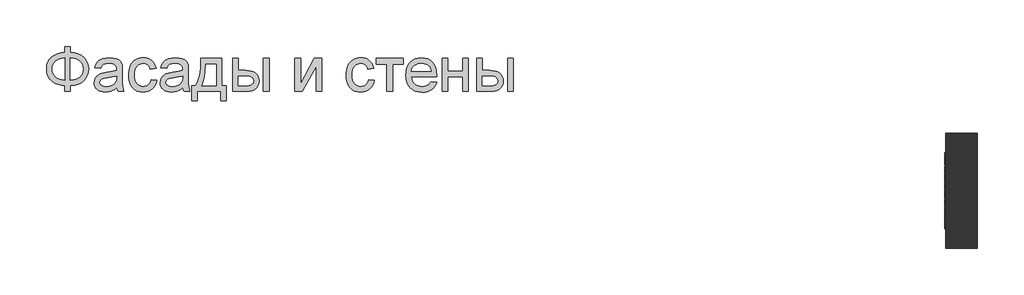
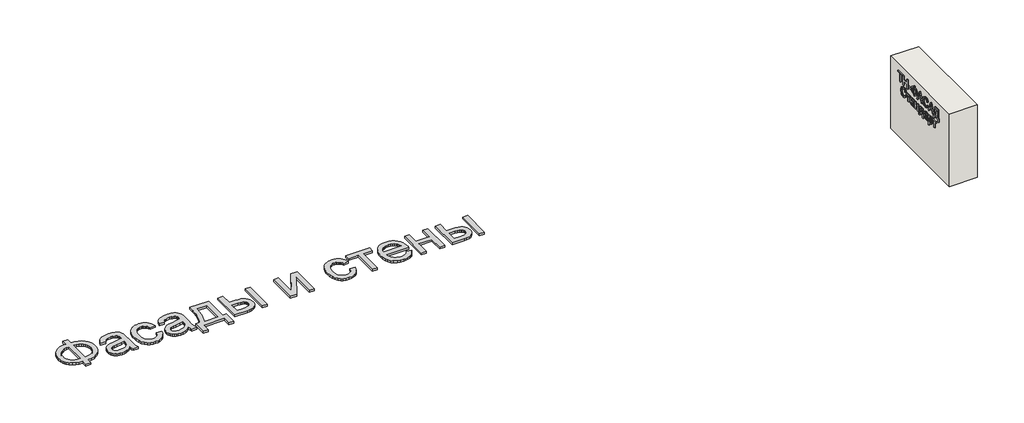
# One storey: 2 proxies, 1 wall.
"""IFC4 building model written with IfcOpenShell, lengths in millimetres."""

from ifc_helpers import new_model, si_unit, frame, origin, origin_with_axes, place, context, project, spatial, polyline, outline, extrude, element, save

model = new_model("IFC4")

# Units and contexts
model_context = context("Model", 3, world=origin())
ifc_project = project(units=[si_unit("LENGTHUNIT", "METRE", prefix="MILLI")], contexts=[model_context])

# Site, building, storey
site = spatial("IfcSite", under=ifc_project)
building = spatial("IfcBuilding", under=site)
storey = spatial("IfcBuildingStorey", under=building, Elevation=0.0)

# Proxies
placement = place(None, origin())
element("IfcBuildingElementProxy", 1, Name="Generic Models", at=placement, inside=storey, context=model_context, shape_type="SweptSolid", body=[
    extrude(outline(polyline([(-1939.8736325, -20885.7211043), (-1939.8736325, -20787.7817103), (-1841.9342386, -20787.7817103), (-1841.9342386, -20885.7211043), (-1772.0723186, -20894.3529698), (-1709.9695132, -20912.2144755), (-1655.6258224, -20939.3056213), (-1609.0412461, -20975.6264073), (-1571.6743546, -21019.0607113), (-1544.9837177, -21067.4924111), (-1528.9693356, -21120.9215067), (-1523.6312083, -21179.3479982), (-1528.8019587, -21236.6028514), (-1544.3142102, -21289.3863505), (-1570.1679625, -21337.6984954), (-1606.3632158, -21381.5392861), (-1628.1416397, -21401.1761824), (-1652.1109076, -21418.4817577), (-1706.6219753, -21446.0989452), (-1769.896419, -21464.3908486), (-1841.9342386, -21473.3574679), (-1841.9342386, -21571.2968619), (-1939.8736325, -21571.2968619), (-1939.8736325, -21473.3574679), (-2005.3060425, -21466.0586398), (-2065.0237272, -21449.518216), (-2119.0266865, -21423.7361966), (-2167.3149204, -21388.7125816), (-2207.0669327, -21345.8939854), (-2222.6837947, -21322.10405), (-2235.4612272, -21296.7270228), (-2245.3992303, -21269.7629041), (-2252.4978039, -21241.2116938), (-2258.1766628, -21179.3479982), (-2252.5157371, -21117.2033486), (-2245.4395801, -21088.5878775), (-2235.5329602, -21061.6103088), (-2222.7958774, -21036.2706426), (-2207.2283318, -21012.5688789), (-2188.8303234, -20990.5050176), (-2167.6018522, -20970.0790588), (-2119.4032845, -20935.3961753), (-2065.382392, -20909.775555), (-2005.5391746, -20893.217198), (-1939.8736325, -20885.7211043)]), holes=[polyline([(-1841.9342386, -20983.6604982), (-1841.9342386, -21375.418074), (-1793.3949393, -21370.2234125), (-1750.3073446, -21359.2303372), (-1712.6714545, -21342.4388481), (-1680.4872689, -21319.8489452), (-1654.7112272, -21291.9627591), (-1636.2997689, -21259.2824206), (-1625.2528939, -21221.8079296), (-1621.5706022, -21179.5392861), (-1625.1871387, -21137.922217), (-1636.036748, -21100.872146), (-1654.1194303, -21068.389073), (-1679.4351855, -21040.4729982), (-1711.2905951, -21017.6977852), (-1748.9922405, -21000.6372975), (-1792.5401216, -20989.2915352), (-1841.9342386, -20983.6604982)]), polyline([(-1939.8736325, -20983.6604982), (-1986.781007, -20988.5861611), (-2028.989873, -20999.3461043), (-2066.5002305, -21015.9403278), (-2099.3120795, -21038.3688316), (-2125.9668498, -21066.2012179), (-2145.0059715, -21099.0070891), (-2156.4294445, -21136.7864452), (-2160.2372689, -21179.5392861), (-2156.4772665, -21221.9035735), (-2145.1972594, -21259.4737085), (-2126.3972476, -21292.2496909), (-2100.077231, -21320.231521), (-2067.5044919, -21342.8692459), (-2029.9463124, -21359.612913), (-1987.4026926, -21370.4625224), (-1939.8736325, -21375.418074), (-1939.8736325, -20983.6604982)])]), origin_with_axes(), (0.0, 0.0, 1.0), 40.0),
    extrude(outline(polyline([(-1033.9342386, -21497.8423164), (-1080.7280359, -21537.964949), (-1104.6449985, -21552.8256261), (-1128.9086704, -21564.2192103), (-1179.5760473, -21578.7092672), (-1233.8300719, -21583.5392861), (-1277.4377305, -21580.6341014), (-1315.677373, -21571.9185475), (-1348.5489995, -21557.3926242), (-1376.0526098, -21537.0563316), (-1397.7697618, -21512.2008628), (-1413.2820132, -21484.1174111), (-1422.589364, -21452.8059764), (-1425.6918143, -21418.2665588), (-1421.0052613, -21377.6657066), (-1406.9456022, -21340.7949679), (-1385.2583389, -21309.2324679), (-1357.6889734, -21284.5563316), (-1325.2895889, -21265.9057634), (-1289.1122689, -21252.4199679), (-1204.3717386, -21237.6908013), (-1104.232534, -21222.1964831), (-1034.5081022, -21204.0241346), (-1033.9342386, -21182.2173164), (-1035.619963, -21158.4737085), (-1040.6771363, -21138.5080361), (-1049.1057585, -21122.3202994), (-1060.9058295, -21109.9104982), (-1081.3018996, -21097.5246081), (-1106.1454128, -21088.6775437), (-1135.4363693, -21083.369305), (-1169.1747689, -21081.5998922), (-1227.5175719, -21086.3103562), (-1250.0895416, -21092.1984362), (-1268.2618901, -21100.4417482), (-1283.1943001, -21111.6858888), (-1296.0464545, -21126.5764547), (-1306.8183532, -21145.1134457), (-1315.5099961, -21167.2968619), (-1413.4493901, -21155.0544376), (-1396.4486799, -21101.4938316), (-1384.810008, -21079.0175058), (-1371.0791249, -21059.4104982), (-1354.6642338, -21042.2782776), (-1334.9735378, -21027.2263126), (-1312.0070369, -21014.2546033), (-1285.764731, -21003.3631497), (-1225.5807821, -20988.5861611), (-1156.5497689, -20983.6604982), (-1090.3402518, -20988.0122975), (-1037.8556401, -21001.0676952), (-998.2829602, -21020.6986138), (-970.8092386, -21044.7769755), (-952.5890681, -21074.5461516), (-940.7770416, -21111.2495134), (-937.1903939, -21145.1074679), (-935.9948446, -21196.9464831), (-935.9948446, -21318.7968619), (-934.7514734, -21424.9377236), (-931.0213598, -21488.94743), (-923.6567764, -21531.0068524), (-911.5099961, -21571.2968619), (-1009.4493901, -21571.2968619), (-1025.1349961, -21537.2476194), (-1033.9342386, -21497.8423164)]), holes=[polyline([(-1033.9342386, -21301.9635285), (-1099.7372689, -21318.2708202), (-1191.9380264, -21331.9957255), (-1242.7488693, -21339.5037747), (-1276.2003371, -21347.8726194), (-1298.1267102, -21358.7282066), (-1314.3622689, -21373.6964831), (-1324.4048825, -21391.6297217), (-1327.7524204, -21411.3801952), (-1325.9292078, -21426.599537), (-1320.45957, -21440.5037747), (-1311.343507, -21453.0929083), (-1298.5810189, -21464.3669376), (-1282.2916604, -21473.6563552), (-1262.5949867, -21480.2916535), (-1212.9796931, -21485.5998922), (-1160.3755264, -21479.7417009), (-1136.3688977, -21472.4189618), (-1113.8925719, -21462.167127), (-1076.2088598, -21436.2715304), (-1050.0024204, -21405.450271), (-1038.3816818, -21373.6964831), (-1034.5081022, -21329.700271), (-1033.9342386, -21301.9635285)])]), origin_with_axes(), (0.0, 0.0, 1.0), 40.0),
    extrude(outline(polyline([(-434.0554507, -21363.1756497), (-336.1160568, -21375.418074), (-346.7684005, -21421.6320299), (-363.4224014, -21462.5257918), (-386.0780596, -21498.0993595), (-414.7353749, -21528.3527331), (-448.1868427, -21552.49685), (-485.2249583, -21569.7426478), (-525.8497215, -21580.0901265), (-570.0611325, -21583.5392861), (-624.9906425, -21578.7272004), (-674.2412935, -21564.2909433), (-717.8130856, -21540.2305148), (-755.7060189, -21506.5459149), (-786.3778347, -21463.8707847), (-808.2862746, -21412.8387653), (-821.4313385, -21353.4498567), (-825.8130264, -21285.7040588), (-823.9419919, -21240.6736966), (-818.3288882, -21198.5485191), (-808.9737154, -21159.3285262), (-795.8764734, -21123.0137179), (-778.9474961, -21090.3333794), (-758.0971174, -21062.0167956), (-733.3253371, -21038.0639665), (-704.6321552, -21018.4748922), (-673.3147428, -21003.2435948), (-640.6702708, -20992.3640967), (-606.698739, -20985.8363978), (-571.4001477, -20983.6604982), (-527.9479104, -20986.6493713), (-488.6442291, -20995.6159906), (-453.4891036, -21010.5603562), (-422.482534, -21031.4824679), (-396.150562, -21057.9041062), (-375.0192291, -21089.3470513), (-359.0885354, -21125.8113031), (-348.358481, -21167.2968619), (-446.2978749, -21179.5392861), (-453.9434123, -21156.6624513), (-464.0637367, -21136.8103562), (-476.6588479, -21119.9830006), (-491.7287461, -21106.1803846), (-508.8908555, -21095.4264192), (-527.7626003, -21087.7450153), (-548.3439805, -21083.1361729), (-570.6349961, -21081.5998922), (-603.9131093, -21084.6246317), (-633.927373, -21093.6988505), (-660.6777873, -21108.8225484), (-684.1643522, -21129.9957255), (-703.2871623, -21157.7085569), (-716.9463124, -21192.4512179), (-725.1418025, -21234.2237085), (-727.8736325, -21283.0260285), (-725.20158, -21332.5636114), (-717.1854223, -21374.8202994), (-703.8251595, -21409.7960924), (-685.1207916, -21437.4909906), (-662.1004909, -21458.5386351), (-635.7924299, -21473.5726668), (-606.1966084, -21482.5930858), (-573.3130264, -21485.5998922), (-546.8136775, -21483.7228799), (-522.5978276, -21478.0918429), (-500.6654767, -21468.7067814), (-481.0166249, -21455.5676952), (-464.2012248, -21438.5311185), (-450.7692291, -21417.4535853), (-440.7206377, -21392.3350958), (-434.0554507, -21363.1756497)])), origin_with_axes(), (0.0, 0.0, 1.0), 40.0),
    extrude(outline(polyline([(116.8536402, -21497.8423164), (70.0598429, -21537.964949), (46.1428803, -21552.8256261), (21.8792084, -21564.2192103), (-28.7881685, -21578.7092672), (-83.0421931, -21583.5392861), (-126.6498517, -21580.6341014), (-164.8894943, -21571.9185475), (-197.7611207, -21557.3926242), (-225.264731, -21537.0563316), (-246.981883, -21512.2008628), (-262.4941344, -21484.1174111), (-271.8014853, -21452.8059764), (-274.9039355, -21418.2665588), (-270.2173825, -21377.6657066), (-256.1577234, -21340.7949679), (-234.4704602, -21309.2324679), (-206.9010946, -21284.5563316), (-174.5017102, -21265.9057634), (-138.3243901, -21252.4199679), (-53.5838598, -21237.6908013), (46.5553448, -21222.1964831), (116.2797766, -21204.0241346), (116.8536402, -21182.2173164), (115.1679158, -21158.4737085), (110.1107425, -21138.5080361), (101.6821203, -21122.3202994), (89.8820493, -21109.9104982), (69.4859792, -21097.5246081), (44.642466, -21088.6775437), (15.3515095, -21083.369305), (-18.3868901, -21081.5998922), (-76.7296931, -21086.3103562), (-99.3016628, -21092.1984362), (-117.4740113, -21100.4417482), (-132.4064213, -21111.6858888), (-145.2585757, -21126.5764547), (-156.0304744, -21145.1134457), (-164.7221174, -21167.2968619), (-262.6615113, -21155.0544376), (-245.6608011, -21101.4938316), (-234.0221292, -21079.0175058), (-220.2912461, -21059.4104982), (-203.876355, -21042.2782776), (-184.185659, -21027.2263126), (-161.2191581, -21014.2546033), (-134.9768522, -21003.3631497), (-74.7929033, -20988.5861611), (-5.7618901, -20983.6604982), (60.447627, -20988.0122975), (112.9322387, -21001.0676952), (152.5049186, -21020.6986138), (179.9786402, -21044.7769755), (198.1988107, -21074.5461516), (210.0108372, -21111.2495134), (213.5974849, -21145.1074679), (214.7930342, -21196.9464831), (214.7930342, -21318.7968619), (216.0364054, -21424.9377236), (219.766519, -21488.94743), (227.1311023, -21531.0068524), (239.2778826, -21571.2968619), (141.3384887, -21571.2968619), (125.6528826, -21537.2476194), (116.8536402, -21497.8423164)]), holes=[polyline([(116.8536402, -21301.9635285), (51.0506099, -21318.2708202), (-41.1501477, -21331.9957255), (-91.9609905, -21339.5037747), (-125.4124583, -21347.8726194), (-147.3388314, -21358.7282066), (-163.5743901, -21373.6964831), (-173.6170037, -21391.6297217), (-176.9645416, -21411.3801952), (-175.141329, -21426.599537), (-169.6716912, -21440.5037747), (-160.5556282, -21453.0929083), (-147.7931401, -21464.3669376), (-131.5037817, -21473.6563552), (-111.8071079, -21480.2916535), (-62.1918143, -21485.5998922), (-9.5876477, -21479.7417009), (14.4189811, -21472.4189618), (36.8953069, -21462.167127), (74.579019, -21436.2715304), (100.7854584, -21405.450271), (112.406197, -21373.6964831), (116.2797766, -21329.700271), (116.8536402, -21301.9635285)])]), origin_with_axes(), (0.0, 0.0, 1.0), 40.0),
    extrude(outline(polyline([(435.1566705, -20995.9029225), (802.4293978, -20995.9029225), (802.4293978, -21473.3574679), (875.8839432, -21473.3574679), (875.8839432, -21730.448377), (777.9445493, -21730.448377), (777.9445493, -21571.2968619), (373.9445493, -21571.2968619), (373.9445493, -21730.448377), (276.0051554, -21730.448377), (276.0051554, -21473.3574679), (337.2172766, -21473.3574679), (361.1342392, -21436.3970631), (381.7156194, -21392.9448259), (398.9614172, -21343.0007563), (412.8716326, -21286.5648543), (423.4462657, -21223.6371199), (430.6853164, -21154.2175531), (434.5887846, -21078.306154), (435.1566705, -20995.9029225)]), holes=[polyline([(520.8536402, -21093.8423164), (512.8195493, -21213.7559054), (497.8990948, -21316.979627), (476.0922766, -21403.5134812), (462.6064811, -21440.521708), (447.3990948, -21473.3574679), (704.4900039, -21473.3574679), (704.4900039, -21093.8423164), (520.8536402, -21093.8423164)])]), origin_with_axes(), (0.0, 0.0, 1.0), 40.0),
    extrude(outline(polyline([(986.0657614, -20995.9029225), (1084.0051554, -20995.9029225), (1084.0051554, -21204.0241346), (1205.0903826, -21204.0241346), (1260.8089551, -21207.0907184), (1309.7487633, -21216.2904698), (1351.9098074, -21231.6233888), (1387.2920872, -21253.0894755), (1415.2858727, -21279.9474892), (1435.2814338, -21311.4561895), (1447.2787704, -21347.6155763), (1451.2778826, -21388.4256497), (1447.924367, -21424.8361019), (1437.8638201, -21458.5087463), (1421.096242, -21489.443583), (1397.6216326, -21517.6406119), (1366.7824399, -21541.1152212), (1327.9211118, -21557.8827994), (1281.0376483, -21567.9433462), (1226.1320493, -21571.2968619), (986.0657614, -21571.2968619), (986.0657614, -20995.9029225)]), holes=[polyline([(1084.0051554, -21473.3574679), (1184.6225796, -21473.3574679), (1262.6202122, -21468.2166062), (1291.8274802, -21461.790529), (1314.5070493, -21452.794021), (1331.495804, -21441.0716606), (1343.6306289, -21426.4680266), (1350.9115237, -21408.983119), (1353.3384887, -21388.6169376), (1351.5391871, -21372.1542245), (1346.1412823, -21356.6240399), (1337.1447742, -21342.0263836), (1324.5496629, -21328.3612558), (1305.8094286, -21316.8122501), (1278.3775512, -21308.5629603), (1242.2540308, -21303.6133865), (1197.4388675, -21301.9635285), (1084.0051554, -21301.9635285), (1084.0051554, -21473.3574679)])]), origin_with_axes(), (0.0, 0.0, 1.0), 40.0),
    extrude(outline(polyline([(1524.7324281, -20995.9029225), (1622.671822, -20995.9029225), (1622.671822, -21571.2968619), (1524.7324281, -21571.2968619), (1524.7324281, -20995.9029225)])), origin_with_axes(), (0.0, 0.0, 1.0), 40.0),
    extrude(outline(polyline([(2075.641519, -20995.9029225), (2173.5809129, -20995.9029225), (2173.5809129, -21434.7173164), (2414.2210645, -20995.9029225), (2540.8536402, -20995.9029225), (2540.8536402, -21571.2968619), (2442.9142463, -21571.2968619), (2442.9142463, -21135.1604982), (2203.8043978, -21571.2968619), (2075.641519, -21571.2968619), (2075.641519, -20995.9029225)])), origin_with_axes(), (0.0, 0.0, 1.0), 40.0),
    extrude(outline(polyline([(3361.0960645, -21363.1756497), (3459.0354584, -21375.418074), (3448.3831147, -21421.6320299), (3431.7291137, -21462.5257918), (3409.0734556, -21498.0993595), (3380.4161402, -21528.3527331), (3346.9646724, -21552.49685), (3309.9265569, -21569.7426478), (3269.3017936, -21580.0901265), (3225.0903826, -21583.5392861), (3170.1608727, -21578.7272004), (3120.9102217, -21564.2909433), (3077.3384295, -21540.2305148), (3039.4454963, -21506.5459149), (3008.7736805, -21463.8707847), (2986.8652406, -21412.8387653), (2973.7201767, -21353.4498567), (2969.3384887, -21285.7040588), (2971.2095233, -21240.6736966), (2976.822627, -21198.5485191), (2986.1777998, -21159.3285262), (2999.2750417, -21123.0137179), (3016.204019, -21090.3333794), (3037.0543978, -21062.0167956), (3061.8261781, -21038.0639665), (3090.5193599, -21018.4748922), (3121.8367723, -21003.2435948), (3154.4812444, -20992.3640967), (3188.4527761, -20985.8363978), (3223.7513675, -20983.6604982), (3267.2036047, -20986.6493713), (3306.5072861, -20995.6159906), (3341.6624115, -21010.5603562), (3372.6689811, -21031.4824679), (3399.0009532, -21057.9041062), (3420.1322861, -21089.3470513), (3436.0629797, -21125.8113031), (3446.7930342, -21167.2968619), (3348.8536402, -21179.5392861), (3341.2081028, -21156.6624513), (3331.0877785, -21136.8103562), (3318.4926672, -21119.9830006), (3303.422769, -21106.1803846), (3286.2606596, -21095.4264192), (3267.3889148, -21087.7450153), (3246.8075346, -21083.1361729), (3224.516519, -21081.5998922), (3191.2384058, -21084.6246317), (3161.2241421, -21093.6988505), (3134.4737278, -21108.8225484), (3110.9871629, -21129.9957255), (3091.8643528, -21157.7085569), (3078.2052027, -21192.4512179), (3070.0097127, -21234.2237085), (3067.2778826, -21283.0260285), (3069.9499352, -21332.5636114), (3077.9660929, -21374.8202994), (3091.3263557, -21409.7960924), (3110.0307236, -21437.4909906), (3133.0510242, -21458.5386351), (3159.3590853, -21473.5726668), (3188.9549068, -21482.5930858), (3221.8384887, -21485.5998922), (3248.3378377, -21483.7228799), (3272.5536876, -21478.0918429), (3294.4860384, -21468.7067814), (3314.1348902, -21455.5676952), (3330.9502903, -21438.5311185), (3344.3822861, -21417.4535853), (3354.4308774, -21392.3350958), (3361.0960645, -21363.1756497)])), origin_with_axes(), (0.0, 0.0, 1.0), 40.0),
    extrude(outline(polyline([(3495.7627311, -20995.9029225), (3960.9748523, -20995.9029225), (3960.9748523, -21093.8423164), (3777.3384887, -21093.8423164), (3777.3384887, -21571.2968619), (3679.3990948, -21571.2968619), (3679.3990948, -21093.8423164), (3495.7627311, -21093.8423164), (3495.7627311, -20995.9029225)])), origin_with_axes(), (0.0, 0.0, 1.0), 40.0),
    extrude(outline(polyline([(4449.5240948, -21399.9029225), (4545.5506099, -21412.1453467), (4530.827421, -21450.6061658), (4510.9514148, -21484.4999869), (4485.9225914, -21513.8268098), (4455.7409508, -21538.5866346), (4420.7173358, -21558.2534196), (4381.1625891, -21572.3011232), (4337.0767108, -21580.7297454), (4288.4597008, -21583.5392861), (4227.6899328, -21578.6913339), (4173.5435076, -21564.1474774), (4126.0204253, -21539.9077165), (4085.1206857, -21505.9720513), (4052.231126, -21463.2849656), (4028.7385834, -21412.7909433), (4014.6430578, -21354.4899845), (4009.9445493, -21288.3820891), (4014.6908798, -21220.0325389), (4028.9298713, -21159.7888126), (4052.6615237, -21107.6509102), (4085.8858372, -21063.6188316), (4126.6779773, -21028.6370607), (4173.1131099, -21003.6500816), (4225.1912349, -20988.6578941), (4282.9123523, -20983.6604982), (4338.7743907, -20988.6459386), (4389.2923239, -21003.6022596), (4434.4661521, -21028.5294613), (4474.2958751, -21063.4275437), (4506.8088367, -21107.3639783), (4530.0323807, -21159.4062369), (4543.9665072, -21219.5543192), (4548.611216, -21287.8082255), (4548.0373523, -21314.2059528), (4107.8839432, -21314.2059528), (4113.5568244, -21353.2884575), (4124.8368315, -21387.5170323), (4141.7239646, -21416.8916772), (4164.2182236, -21441.4123922), (4191.0762373, -21460.7444234), (4221.0546345, -21474.5530172), (4254.1534153, -21482.8381734), (4290.3725796, -21485.5998922), (4342.4985266, -21480.4829414), (4386.3990948, -21465.1320891), (4405.2648618, -21453.3798401), (4422.0742842, -21438.590896), (4436.8273618, -21420.7652567), (4449.5240948, -21399.9029225)]), holes=[polyline([(4107.8839432, -21216.2665588), (4450.671822, -21216.2665588), (4445.6385597, -21188.5537274), (4437.4251364, -21164.5231876), (4426.0315522, -21144.1749395), (4411.4578069, -21127.5089831), (4384.7492368, -21107.4237558), (4354.3583751, -21093.0771649), (4320.2852217, -21084.4692103), (4282.5297766, -21081.5998922), (4248.0919807, -21083.889369), (4216.5115474, -21090.7577994), (4187.7884769, -21102.2051834), (4161.922769, -21118.231521), (4140.2175725, -21138.0955716), (4123.9760361, -21161.0560948), (4113.1981596, -21187.1130906), (4107.8839432, -21216.2665588)])]), origin_with_axes(), (0.0, 0.0, 1.0), 40.0),
    extrude(outline(polyline([(4646.5506099, -20995.9029225), (4744.4900039, -20995.9029225), (4744.4900039, -21216.2665588), (5001.5809129, -21216.2665588), (5001.5809129, -20995.9029225), (5099.5203069, -20995.9029225), (5099.5203069, -21571.2968619), (5001.5809129, -21571.2968619), (5001.5809129, -21314.2059528), (4744.4900039, -21314.2059528), (4744.4900039, -21571.2968619), (4646.5506099, -21571.2968619), (4646.5506099, -20995.9029225)])), origin_with_axes(), (0.0, 0.0, 1.0), 40.0),
    extrude(outline(polyline([(5246.4293978, -20995.9029225), (5344.3687917, -20995.9029225), (5344.3687917, -21204.0241346), (5465.454019, -21204.0241346), (5521.1725914, -21207.0907184), (5570.1123997, -21216.2904698), (5612.2734437, -21231.6233888), (5647.6557236, -21253.0894755), (5675.6495091, -21279.9474892), (5695.6450701, -21311.4561895), (5707.6424068, -21347.6155763), (5711.641519, -21388.4256497), (5708.2880034, -21424.8361019), (5698.2274565, -21458.5087463), (5681.4598784, -21489.443583), (5657.985269, -21517.6406119), (5627.1460763, -21541.1152212), (5588.2847482, -21557.8827994), (5541.4012846, -21567.9433462), (5486.4956857, -21571.2968619), (5246.4293978, -21571.2968619), (5246.4293978, -20995.9029225)]), holes=[polyline([(5344.3687917, -21473.3574679), (5444.986216, -21473.3574679), (5522.9838486, -21468.2166062), (5552.1911165, -21461.790529), (5574.8706857, -21452.794021), (5591.8594404, -21441.0716606), (5603.9942652, -21426.4680266), (5611.2751601, -21408.983119), (5613.7021251, -21388.6169376), (5611.9028235, -21372.1542245), (5606.5049186, -21356.6240399), (5597.5084106, -21342.0263836), (5584.9132993, -21328.3612558), (5566.1730649, -21316.8122501), (5538.7411876, -21308.5629603), (5502.6176672, -21303.6133865), (5457.8025039, -21301.9635285), (5344.3687917, -21301.9635285), (5344.3687917, -21473.3574679)])]), origin_with_axes(), (0.0, 0.0, 1.0), 40.0),
    extrude(outline(polyline([(5785.0960645, -20995.9029225), (5883.0354584, -20995.9029225), (5883.0354584, -21571.2968619), (5785.0960645, -21571.2968619), (5785.0960645, -20995.9029225)])), origin_with_axes(), (0.0, 0.0, 1.0), 40.0),
])
element("IfcBuildingElementProxy", 2, Name="Generic Models", at=placement, inside=storey, context=model_context, shape_type="SweptSolid", body=[
    extrude(outline(polyline([(-22641.3968391, 1181.1112414), (-22666.0122237, 1181.1112414), (-22666.0122237, 1353.4189337), (-22730.6276083, 1353.4189337), (-22730.6276083, 1378.0343184), (-22576.7814545, 1378.0343184), (-22576.7814545, 1353.4189337), (-22641.3968391, 1353.4189337), (-22641.3968391, 1181.1112414)])), frame((13411.3955952, 0.0, 0.0), z_axis=(1.0, 0.0, 0.0), x_axis=(0.0, 1.0, 0.0)), (0.0, 0.0, 1.0), 20.0),
    extrude(outline(polyline([(-22758.319916, 1181.1112414), (-22782.9353006, 1181.1112414), (-22782.9353006, 1273.4189337), (-22887.5506853, 1273.4189337), (-22887.5506853, 1181.1112414), (-22912.1660699, 1181.1112414), (-22912.1660699, 1378.0343184), (-22887.5506853, 1378.0343184), (-22887.5506853, 1298.0343184), (-22782.9353006, 1298.0343184), (-22782.9353006, 1378.0343184), (-22758.319916, 1378.0343184), (-22758.319916, 1181.1112414)])), frame((13411.3955952, 0.0, 0.0), z_axis=(1.0, 0.0, 0.0), x_axis=(0.0, 1.0, 0.0)), (0.0, 0.0, 1.0), 20.0),
    extrude(outline(polyline([(13411.3955952, -23016.7814545), (13411.3955952, -22939.8583776), (13431.3955952, -22939.8583776), (13431.3955952, -23016.7814545), (13411.3955952, -23016.7814545)])), frame((0.0, 0.0, 1239.5727799), z_axis=(0.0, 0.0, 1.0), x_axis=(1.0, 0.0, 0.0)), (0.0, 0.0, 1.0), 24.6153846),
    extrude(outline(polyline([(-23118.319916, 1353.4189337), (-23086.7754449, 1347.3732607), (-23061.0843391, 1332.2170107), (-23051.124904, 1321.5379241), (-23044.0110218, 1309.212203), (-23038.319916, 1279.6208568), (-23044.0290506, 1250.1196549), (-23051.1654689, 1237.7623833), (-23061.1564545, 1227.0006645), (-23086.8655891, 1211.7182126), (-23118.319916, 1205.726626), (-23118.319916, 1181.1112414), (-23142.9353006, 1181.1112414), (-23142.9353006, 1205.726626), (-23176.9437141, 1212.5775876), (-23202.1420314, 1228.8035491), (-23217.7369833, 1251.9646068), (-23222.9353006, 1279.6208568), (-23217.5687141, 1307.7338376), (-23201.4689545, 1330.8227799), (-23176.102368, 1346.7602799), (-23142.9353006, 1353.4189337), (-23142.9353006, 1378.0343184), (-23118.319916, 1378.0343184), (-23118.319916, 1353.4189337)]), holes=[polyline([(-23118.319916, 1328.8035491), (-23118.319916, 1230.3420107), (-23095.6816949, 1234.3143664), (-23078.055493, 1244.212203), (-23066.7153487, 1259.4826357), (-23062.9353006, 1279.5727799), (-23066.7634256, 1299.8131645), (-23078.2478006, 1315.0535491), (-23095.9220795, 1324.8612414), (-23118.319916, 1328.8035491)]), polyline([(-23142.9353006, 1328.8035491), (-23166.2946756, 1324.5367222), (-23183.7766468, 1314.524703), (-23194.6840987, 1299.3444145), (-23198.319916, 1279.5727799), (-23194.617993, 1259.5307126), (-23183.5122237, 1244.3083568), (-23165.9641468, 1234.4105203), (-23142.9353006, 1230.3420107), (-23142.9353006, 1328.8035491)])]), frame((13411.3955952, 0.0, 0.0), z_axis=(1.0, 0.0, 0.0), x_axis=(0.0, 1.0, 0.0)), (0.0, 0.0, 1.0), 20.0),
    extrude(outline(polyline([(-23233.8487622, 1181.1112414), (-23259.8583776, 1181.1112414), (-23282.3583776, 1242.649703), (-23363.4641468, 1242.649703), (-23386.0122237, 1181.1112414), (-23412.0218391, 1181.1112414), (-23333.4160699, 1378.0343184), (-23312.4545314, 1378.0343184), (-23233.8487622, 1181.1112414)]), holes=[polyline([(-23291.3968391, 1267.2650876), (-23310.6756853, 1319.9093184), (-23322.9353006, 1353.4189337), (-23336.7333776, 1315.6785491), (-23354.4737622, 1267.2650876), (-23291.3968391, 1267.2650876)])]), frame((13411.3955952, 0.0, 0.0), z_axis=(1.0, 0.0, 0.0), x_axis=(0.0, 1.0, 0.0)), (0.0, 0.0, 1.0), 20.0),
    extrude(outline(polyline([(-23576.7814545, 1251.1112414), (-23568.8187141, 1230.0295107), (-23555.8920314, 1214.8612414), (-23538.7706372, 1205.7025876), (-23518.2237622, 1202.649703), (-23500.5975603, 1204.8912895), (-23484.257416, 1211.6160491), (-23470.6276083, 1222.8720587), (-23461.132416, 1238.7073953), (-23455.5615026, 1258.3708568), (-23453.7045314, 1281.1112414), (-23455.273041, 1299.680953), (-23459.9785699, 1317.6977799), (-23468.554291, 1333.6352799), (-23481.7333776, 1345.9670107), (-23499.101166, 1353.8636453), (-23520.242993, 1356.4958568), (-23538.5843391, 1354.1220587), (-23553.5122237, 1347.0006645), (-23565.1708776, 1334.6869626), (-23573.7045314, 1316.7362414), (-23598.319916, 1322.601626), (-23587.4485218, 1347.3131645), (-23570.507416, 1365.774703), (-23548.1937141, 1377.2771068), (-23521.2045314, 1381.1112414), (-23496.4689545, 1378.148501), (-23473.8968391, 1369.2602799), (-23454.8643872, 1354.6629241), (-23440.7478006, 1334.5727799), (-23432.0038103, 1309.7771068), (-23429.0891468, 1281.0631645), (-23431.6672718, 1253.8396068), (-23439.4016468, 1228.4189337), (-23452.069916, 1206.7963376), (-23469.4497237, 1190.9670107), (-23492.1240026, 1181.2674914), (-23520.6756853, 1178.0343184), (-23548.8006853, 1182.3071549), (-23572.2141468, 1195.1256645), (-23590.038666, 1216.0811934), (-23601.3968391, 1244.7650876), (-23576.7814545, 1251.1112414)])), frame((13411.3955952, 0.0, 0.0), z_axis=(1.0, 0.0, 0.0), x_axis=(0.0, 1.0, 0.0)), (0.0, 0.0, 1.0), 20.0),
    extrude(outline(polyline([(-23612.3103006, 1181.1112414), (-23638.319916, 1181.1112414), (-23660.819916, 1242.649703), (-23741.9256853, 1242.649703), (-23764.4737622, 1181.1112414), (-23790.4833776, 1181.1112414), (-23711.8776083, 1378.0343184), (-23690.9160699, 1378.0343184), (-23612.3103006, 1181.1112414)]), holes=[polyline([(-23669.8583776, 1267.2650876), (-23689.1372237, 1319.9093184), (-23701.3968391, 1353.4189337), (-23715.194916, 1315.6785491), (-23732.9353006, 1267.2650876), (-23669.8583776, 1267.2650876)])]), frame((13411.3955952, 0.0, 0.0), z_axis=(1.0, 0.0, 0.0), x_axis=(0.0, 1.0, 0.0)), (0.0, 0.0, 1.0), 20.0),
    extrude(outline(polyline([(-23835.242993, 1378.0343184), (-23835.242993, 1349.524703), (-23833.7045314, 1299.9543905), (-23829.0891468, 1259.4646068), (-23821.3968391, 1228.055352), (-23810.6276083, 1205.726626), (-23795.242993, 1205.726626), (-23795.242993, 1134.9573953), (-23819.8583776, 1134.9573953), (-23819.8583776, 1181.1112414), (-23946.0122237, 1181.1112414), (-23946.0122237, 1134.9573953), (-23970.6276083, 1134.9573953), (-23970.6276083, 1205.726626), (-23952.1660699, 1205.726626), (-23952.1660699, 1378.0343184), (-23835.242993, 1378.0343184)]), holes=[polyline([(-23927.5506853, 1353.4189337), (-23927.5506853, 1205.726626), (-23835.242993, 1205.726626), (-23847.4545314, 1237.0847991), (-23854.8583776, 1276.0631645), (-23859.8583776, 1343.5150876), (-23859.8583776, 1353.4189337), (-23927.5506853, 1353.4189337)])]), frame((13411.3955952, 0.0, 0.0), z_axis=(1.0, 0.0, 0.0), x_axis=(0.0, 1.0, 0.0)), (0.0, 0.0, 1.0), 20.0),
    extrude(outline(polyline([(-22829.0891468, 1008.0343184), (-22821.1264064, 986.9525876), (-22808.1997237, 971.7843184), (-22791.0783295, 962.6256645), (-22770.5314545, 959.5727799), (-22752.9052526, 961.8143664), (-22736.5651083, 968.539126), (-22722.9353006, 979.7951357), (-22713.4401083, 995.6304722), (-22707.8691949, 1015.2939337), (-22706.0122237, 1038.0343184), (-22707.5807333, 1056.6040299), (-22712.2862622, 1074.6208568), (-22720.8619833, 1090.5583568), (-22734.0410699, 1102.8900876), (-22751.4088583, 1110.7867222), (-22772.5506853, 1113.4189337), (-22790.8920314, 1111.0451357), (-22805.819916, 1103.9237414), (-22817.4785699, 1091.6100395), (-22826.0122237, 1073.6593184), (-22850.6276083, 1079.524703), (-22839.7562141, 1104.2362414), (-22822.8151083, 1122.6977799), (-22800.5014064, 1134.2001837), (-22773.5122237, 1138.0343184), (-22748.7766468, 1135.071578), (-22726.2045314, 1126.1833568), (-22707.1720795, 1111.586001), (-22693.055493, 1091.4958568), (-22684.3115026, 1066.7001837), (-22681.3968391, 1037.9862414), (-22683.9749641, 1010.7626837), (-22691.7093391, 985.3420107), (-22704.3776083, 963.7194145), (-22721.757416, 947.8900876), (-22744.4316949, 938.1905684), (-22772.9833776, 934.9573953), (-22801.1083776, 939.2302318), (-22824.5218391, 952.0487414), (-22842.3463583, 973.0042703), (-22853.7045314, 1001.6881645), (-22829.0891468, 1008.0343184)])), frame((13411.3955952, 0.0, 0.0), z_axis=(1.0, 0.0, 0.0), x_axis=(0.0, 1.0, 0.0)), (0.0, 0.0, 1.0), 20.0),
    extrude(outline(polyline([(-22872.1660699, 1082.649703), (-22872.1660699, 1058.0343184), (-22918.319916, 1058.0343184), (-22918.319916, 938.0343184), (-22942.9353006, 938.0343184), (-22942.9353006, 1058.0343184), (-22989.0891468, 1058.0343184), (-22989.0891468, 1082.649703), (-22872.1660699, 1082.649703)])), frame((13411.3955952, 0.0, 0.0), z_axis=(1.0, 0.0, 0.0), x_axis=(0.0, 1.0, 0.0)), (0.0, 0.0, 1.0), 20.0),
    extrude(outline(polyline([(-23102.9353006, 956.4958568), (-23109.0891468, 938.0343184), (-23133.7045314, 938.0343184), (-23128.8006853, 958.7314337), (-23127.5506853, 1001.4958568), (-23127.5506853, 1032.1208568), (-23126.3487622, 1053.6593184), (-23118.8006853, 1070.3660491), (-23101.9497237, 1081.351626), (-23072.117993, 1085.726626), (-23039.6420314, 1080.774703), (-23027.274243, 1074.7771068), (-23018.1997237, 1066.6881645), (-23007.5506853, 1042.649703), (-23032.1660699, 1039.5727799), (-23037.0578968, 1049.8071549), (-23044.0410699, 1056.3756645), (-23068.944916, 1061.1112414), (-23084.7862622, 1059.3323953), (-23096.1564545, 1053.9958568), (-23101.2405891, 1046.8083568), (-23102.9353006, 1035.8227799), (-23102.7910699, 1030.3420107), (-23060.0987622, 1021.8804722), (-23038.8006853, 1018.1785491), (-23021.5651083, 1010.101626), (-23009.1853006, 995.9670107), (-23004.4737622, 976.4958568), (-23007.5927526, 959.945376), (-23016.9497237, 946.6400876), (-23032.1240026, 937.8780684), (-23052.694916, 934.9573953), (-23079.0651083, 939.8131645), (-23102.9353006, 956.4958568)]), holes=[polyline([(-23102.9353006, 1005.726626), (-23102.7910699, 998.7554722), (-23098.8968391, 979.7170107), (-23082.8391468, 965.462203), (-23071.1564545, 961.0451357), (-23057.9353006, 959.5727799), (-23045.4653487, 960.9069145), (-23036.4208776, 964.9093184), (-23030.9220795, 970.9069145), (-23029.0891468, 978.226626), (-23032.4545314, 987.6977799), (-23042.0458776, 994.1881645), (-23063.2237622, 998.1785491), (-23102.9353006, 1005.726626)])]), frame((13411.3955952, 0.0, 0.0), z_axis=(1.0, 0.0, 0.0), x_axis=(0.0, 1.0, 0.0)), (0.0, 0.0, 1.0), 20.0),
    extrude(outline(polyline([(-23161.3968391, 1082.649703), (-23161.3968391, 938.0343184), (-23186.0122237, 938.0343184), (-23186.0122237, 1002.649703), (-23250.6276083, 1002.649703), (-23250.6276083, 938.0343184), (-23275.242993, 938.0343184), (-23275.242993, 1082.649703), (-23250.6276083, 1082.649703), (-23250.6276083, 1027.2650876), (-23186.0122237, 1027.2650876), (-23186.0122237, 1082.649703), (-23161.3968391, 1082.649703)])), frame((13411.3955952, 0.0, 0.0), z_axis=(1.0, 0.0, 0.0), x_axis=(0.0, 1.0, 0.0)), (0.0, 0.0, 1.0), 20.0),
    extrude(outline(polyline([(-23333.7045314, 1082.649703), (-23332.5807333, 1042.8600395), (-23328.1035699, 1009.5968184), (-23320.273041, 982.8600395), (-23309.0891468, 962.649703), (-23293.7045314, 962.649703), (-23293.7045314, 898.0343184), (-23318.319916, 898.0343184), (-23318.319916, 938.0343184), (-23419.8583776, 938.0343184), (-23419.8583776, 898.0343184), (-23444.4737622, 898.0343184), (-23444.4737622, 962.649703), (-23426.0122237, 962.649703), (-23426.0122237, 1082.649703), (-23333.7045314, 1082.649703)]), holes=[polyline([(-23355.242993, 1058.0343184), (-23401.3968391, 1058.0343184), (-23401.3968391, 962.649703), (-23336.7814545, 962.649703), (-23349.4737622, 1001.9525876), (-23355.242993, 1058.0343184)])]), frame((13411.3955952, 0.0, 0.0), z_axis=(1.0, 0.0, 0.0), x_axis=(0.0, 1.0, 0.0)), (0.0, 0.0, 1.0), 20.0),
    extrude(outline(polyline([(-23564.4737622, 956.4958568), (-23570.6276083, 938.0343184), (-23595.242993, 938.0343184), (-23590.3391468, 958.7314337), (-23589.0891468, 1001.4958568), (-23589.0891468, 1032.1208568), (-23587.8872237, 1053.6593184), (-23580.3391468, 1070.3660491), (-23563.4881853, 1081.351626), (-23533.6564545, 1085.726626), (-23501.180493, 1080.774703), (-23488.8127045, 1074.7771068), (-23479.7381853, 1066.6881645), (-23469.0891468, 1042.649703), (-23493.7045314, 1039.5727799), (-23498.5963583, 1049.8071549), (-23505.5795314, 1056.3756645), (-23530.4833776, 1061.1112414), (-23546.3247237, 1059.3323953), (-23557.694916, 1053.9958568), (-23562.7790506, 1046.8083568), (-23564.4737622, 1035.8227799), (-23564.3295314, 1030.3420107), (-23521.6372237, 1021.8804722), (-23500.3391468, 1018.1785491), (-23483.1035699, 1010.101626), (-23470.7237622, 995.9670107), (-23466.0122237, 976.4958568), (-23469.1312141, 959.945376), (-23478.4881853, 946.6400876), (-23493.6624641, 937.8780684), (-23514.2333776, 934.9573953), (-23540.6035699, 939.8131645), (-23564.4737622, 956.4958568)]), holes=[polyline([(-23564.4737622, 1005.726626), (-23564.3295314, 998.7554722), (-23560.4353006, 979.7170107), (-23544.3776083, 965.462203), (-23532.694916, 961.0451357), (-23519.4737622, 959.5727799), (-23507.0038103, 960.9069145), (-23497.9593391, 964.9093184), (-23492.460541, 970.9069145), (-23490.6276083, 978.226626), (-23493.992993, 987.6977799), (-23503.5843391, 994.1881645), (-23524.7622237, 998.1785491), (-23564.4737622, 1005.726626)])]), frame((13411.3955952, 0.0, 0.0), z_axis=(1.0, 0.0, 0.0), x_axis=(0.0, 1.0, 0.0)), (0.0, 0.0, 1.0), 20.0),
    extrude(outline(polyline([(-23622.9353006, 882.649703), (-23647.5506853, 882.649703), (-23647.5506853, 957.2650876), (-23663.1516468, 941.2795107), (-23673.2538103, 936.5379241), (-23684.569916, 934.9573953), (-23700.5254449, 937.3191741), (-23715.6997237, 944.4045107), (-23728.7285699, 955.9189337), (-23738.2478006, 971.5679722), (-23744.071118, 990.3960972), (-23746.0122237, 1011.4477799), (-23744.2934737, 1031.243453), (-23739.1372237, 1049.3804722), (-23730.6035699, 1064.7410491), (-23718.7526083, 1076.2073953), (-23704.1973199, 1083.3468184), (-23687.5506853, 1085.726626), (-23675.0506853, 1084.0259049), (-23664.569916, 1078.9237414), (-23647.5506853, 1058.5150876), (-23647.5506853, 1082.649703), (-23622.9353006, 1082.649703), (-23622.9353006, 882.649703)]), holes=[polyline([(-23647.5506853, 1009.1881645), (-23650.3932333, 1031.5138857), (-23658.9208776, 1047.8179722), (-23671.1384256, 1057.7879241), (-23685.0506853, 1061.1112414), (-23698.9088583, 1057.9862414), (-23710.6756853, 1048.6112414), (-23718.7165506, 1032.962203), (-23721.3968391, 1011.0150876), (-23718.6504449, 988.118453), (-23710.4112622, 972.1208568), (-23698.3259256, 962.7097991), (-23684.0410699, 959.5727799), (-23669.9845795, 962.601626), (-23658.1997237, 971.6881645), (-23650.2129449, 987.1208568), (-23647.5506853, 1009.1881645)])]), frame((13411.3955952, 0.0, 0.0), z_axis=(1.0, 0.0, 0.0), x_axis=(0.0, 1.0, 0.0)), (0.0, 0.0, 1.0), 20.0),
    extrude(outline(polyline([(-23761.3968391, 1082.649703), (-23761.3968391, 1058.0343184), (-23807.5506853, 1058.0343184), (-23807.5506853, 938.0343184), (-23832.1660699, 938.0343184), (-23832.1660699, 1058.0343184), (-23878.319916, 1058.0343184), (-23878.319916, 1082.649703), (-23761.3968391, 1082.649703)])), frame((13411.3955952, 0.0, 0.0), z_axis=(1.0, 0.0, 0.0), x_axis=(0.0, 1.0, 0.0)), (0.0, 0.0, 1.0), 20.0),
])

# Wall
element("IfcWall", 3, at=placement, inside=storey, context=model_context, shape_type="SweptSolid", body=[
    extrude(outline(polyline([(13981.3955952, -22302.6148653), (13981.3955952, -24302.6148653), (13431.3955952, -24302.6148653), (13431.3955952, -22302.6148653), (13981.3955952, -22302.6148653)])), origin_with_axes(), (0.0, 0.0, 1.0), 1500.0),
])

save(model, "model.ifc")
